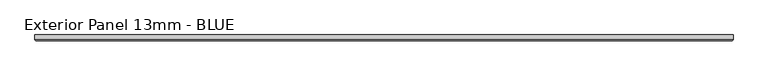
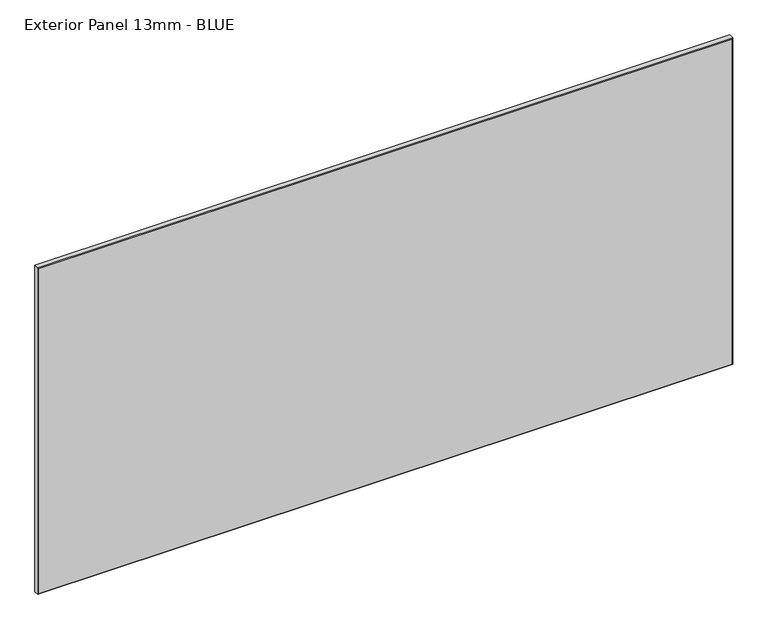
"""IFC4 building model written with IfcOpenShell, lengths in millimetres: proxy geometry, Exterior Panel 13mm - BLUE."""

from ifc_helpers import new_model, si_unit, origin, place, context, project, spatial, faceted_brep, source, transform, mapped, element, save


def exterior_panel_13mm_blue_5b6134fd(model_context):
    return source(origin(), model_context, "Body", "Brep", [
        faceted_brep([(1117.6, 6.35, 757.2375), (-406.4, 6.35, 757.2375), (-406.4, -4.7625, 757.2375), (1117.6, -4.7625, 757.2375), (1117.6, 6.35, 0.0), (1117.6, -4.7625, 0.0), (-406.4, -4.7625, 0.0), (-406.4, 6.35, 0.0), (-404.8125, -6.35, 755.65), (-404.8125, -6.35, 1.5875), (1116.0125, -6.35, 1.5875), (1116.0125, -6.35, 755.65)], [[[0, 1, 2, 3]], [[4, 5, 6, 7]], [[1, 0, 4, 7]], [[2, 1, 7, 6]], [[8, 9, 10, 11]], [[0, 3, 5, 4]], [[2, 6, 9, 8]], [[5, 3, 11, 10]], [[3, 2, 8, 11]], [[6, 5, 10, 9]]]),
    ])


if __name__ == "__main__":
    model = new_model("IFC4")
    model_context = context("Model", 3, world=origin())
    ifc_project = project(units=[si_unit("LENGTHUNIT", "METRE", prefix="MILLI")], contexts=[model_context])
    site = spatial("IfcSite", under=ifc_project)
    building = spatial("IfcBuilding", under=site)
    placement = place(None, origin())
    exterior_panel_13mm_blue_shape = exterior_panel_13mm_blue_5b6134fd(model_context)
    element("IfcBuildingElementProxy", 1, Name="Exterior Panel 13mm - BLUE", ObjectType="Exterior Panel 13mm - BLUE", at=placement, inside=building, context=model_context, shape_type="MappedRepresentation", body=[
        mapped(exterior_panel_13mm_blue_shape, transform((0.0, 0.0, 0.0), x_axis=(1.0, 0.0, 0.0), y_axis=(0.0, 1.0, 0.0), z_axis=(0.0, 0.0, 1.0))),
    ])
    save(model, "model.ifc")
